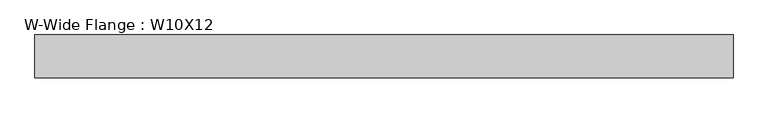
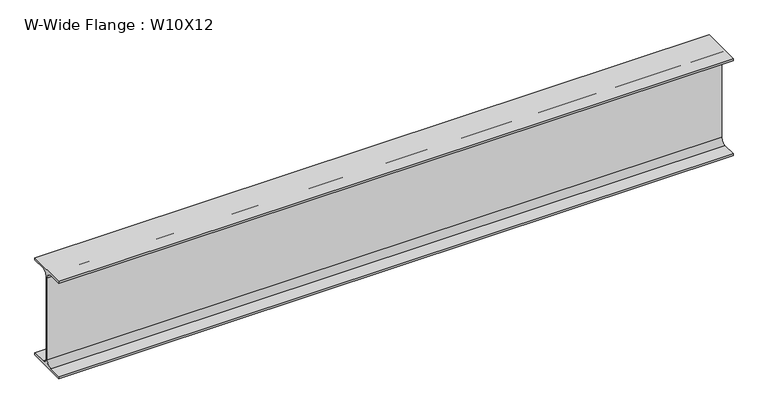
"""IFC4 building model written with IfcOpenShell, lengths in millimetres: beam geometry, W-Wide Flange : W10X12."""

from ifc_helpers import new_model, si_unit, point, frame, frame_2d, origin, place, context, project, spatial, polyline, circle_curve, trimmed, segment, composite_curve, outline, extrude, source, transform, mapped, element, save


def w_wide_flange_w10x12_2e04923d(model_context):
    return source(origin(), model_context, "Body", "SweptSolid", [
        extrude(outline(composite_curve([segment(polyline([(50.3039062, -120.0050781), (50.3039062, -125.3628906), (-50.3039063, -125.3628906), (-50.3039063, -120.0050781), (-16.1230469, -120.0050781)]), True, "CONTINUOUS"), segment(trimmed(circle_curve(frame_2d((-16.1230469, -106.3128906)), 13.6921875), [point((-16.1230469, -120.0050781))], [point((-2.4308594, -106.3128906))], True, "CARTESIAN"), True, "CONTINUOUS"), segment(polyline([(-2.4308594, -106.3128906), (-2.4308594, 106.3128906)]), True, "CONTINUOUS"), segment(trimmed(circle_curve(frame_2d((-16.1230469, 106.3128906)), 13.6921875), [point((-2.4308594, 106.3128906))], [point((-16.1230469, 120.0050781))], True, "CARTESIAN"), True, "CONTINUOUS"), segment(polyline([(-16.1230469, 120.0050781), (-50.3039063, 120.0050781), (-50.3039063, 125.3628906), (50.3039062, 125.3628906), (50.3039062, 120.0050781), (16.1230469, 120.0050781)]), True, "CONTINUOUS"), segment(trimmed(circle_curve(frame_2d((16.1230469, 106.3128906)), 13.6921875), [point((16.1230469, 120.0050781))], [point((2.4308594, 106.3128906))], True, "CARTESIAN"), True, "CONTINUOUS"), segment(polyline([(2.4308594, 106.3128906), (2.4308594, -106.3128906)]), True, "CONTINUOUS"), segment(trimmed(circle_curve(frame_2d((16.1230469, -106.3128906)), 13.6921875), [point((2.4308594, -106.3128906))], [point((16.1230469, -120.0050781))], True, "CARTESIAN"), True, "CONTINUOUS"), segment(polyline([(16.1230469, -120.0050781), (50.3039062, -120.0050781)]), True, "CONTINUOUS")], self_intersect=False)), frame((-812.6511719, 0.0, 0.0), z_axis=(1.0, 0.0, 0.0), x_axis=(0.0, 1.0, 0.0)), (0.0, 0.0, 1.0), 1644.5011719),
    ])


if __name__ == "__main__":
    model = new_model("IFC4")
    model_context = context("Model", 3, world=origin())
    ifc_project = project(units=[si_unit("LENGTHUNIT", "METRE", prefix="MILLI")], contexts=[model_context])
    site = spatial("IfcSite", under=ifc_project)
    building = spatial("IfcBuilding", under=site)
    placement = place(None, origin())
    w_wide_flange_w10x12_shape = w_wide_flange_w10x12_2e04923d(model_context)
    element("IfcBeam", 1, ObjectType="W-Wide Flange : W10X12", at=placement, inside=building, context=model_context, shape_type="MappedRepresentation", body=[
        mapped(w_wide_flange_w10x12_shape, transform((0.0, 0.0, 0.0), x_axis=(1.0, 0.0, 0.0), y_axis=(0.0, 1.0, 0.0), z_axis=(0.0, 0.0, 1.0))),
    ])
    save(model, "model.ifc")
